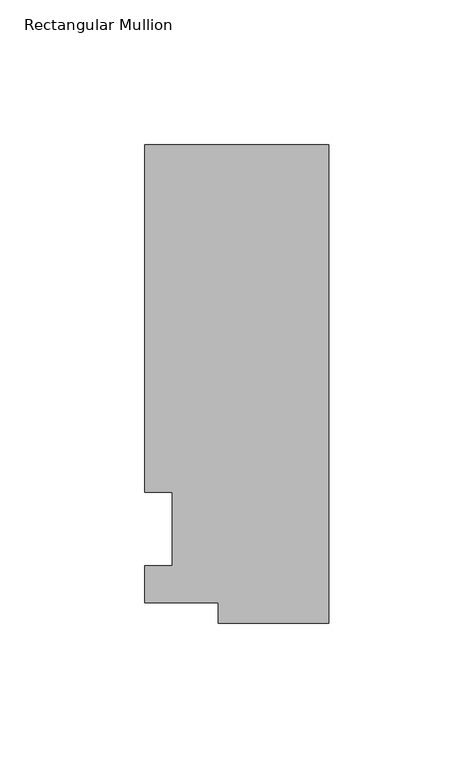
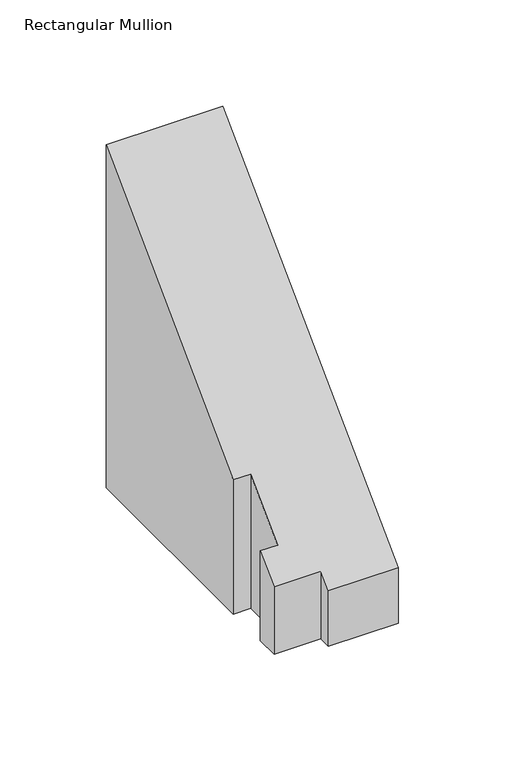
"""IFC4 building model written with IfcOpenShell, lengths in millimetres: member geometry, Rectangular Mullion."""

from ifc_helpers import new_model, si_unit, origin, place, context, project, spatial, faceted_brep, source, transform, mapped, element, save


def rectangular_mullion_daa76b52(model_context):
    return source(origin(), model_context, "Body", "Brep", [
        faceted_brep([(-38.1, -32.54375, -64.44615), (-38.1, -25.58415, -64.44615), (-63.5, -25.58415, -64.44615), (-63.5, -12.7, -64.44615), (-53.975, -12.7, -64.44615), (-53.975, 12.7, -64.44615), (-63.5, 12.7, -64.44615), (-63.5, 132.55625, -64.44615), (0.0, 132.55625, -64.44615), (0.0, -32.54375, -64.44615), (0.0, -32.54375, -32.54375), (-38.1, -32.54375, -32.54375), (0.0, 132.55625, 132.55625), (-63.5, 132.55625, 132.55625), (-63.5, 12.7, 12.7), (-53.975, 12.7, 12.7), (-53.975, -12.7, -12.7), (-63.5, -12.7, -12.7), (-63.5, -25.58415, -25.58415), (-38.1, -25.58415, -25.58415)], [[[0, 1, 2, 3, 4, 5, 6, 7, 8, 9]], [[10, 11, 0, 9]], [[12, 10, 9, 8]], [[13, 12, 8, 7]], [[14, 13, 7, 6]], [[15, 14, 6, 5]], [[16, 15, 5, 4]], [[17, 16, 4, 3]], [[18, 17, 3, 2]], [[11, 10, 12, 13, 14, 15, 16, 17, 18, 19]], [[19, 18, 2, 1]], [[11, 19, 1, 0]]]),
    ])


if __name__ == "__main__":
    model = new_model("IFC4")
    model_context = context("Model", 3, world=origin())
    ifc_project = project(units=[si_unit("LENGTHUNIT", "METRE", prefix="MILLI")], contexts=[model_context])
    site = spatial("IfcSite", under=ifc_project)
    building = spatial("IfcBuilding", under=site)
    placement = place(None, origin())
    rectangular_mullion_shape = rectangular_mullion_daa76b52(model_context)
    element("IfcMember", 1, ObjectType="Rectangular Mullion", at=placement, inside=building, context=model_context, shape_type="MappedRepresentation", body=[
        mapped(rectangular_mullion_shape, transform((0.0, 0.0, 0.0), x_axis=(1.0, 0.0, 0.0), y_axis=(0.0, 1.0, 0.0), z_axis=(0.0, 0.0, 1.0))),
    ])
    save(model, "model.ifc")
